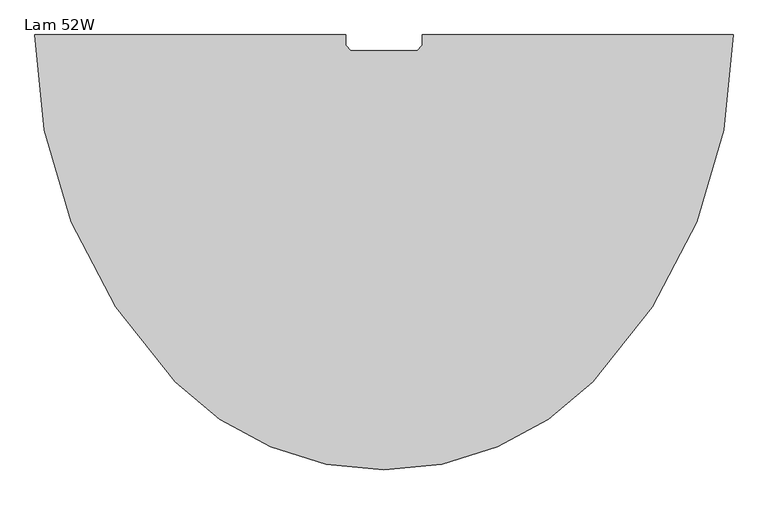
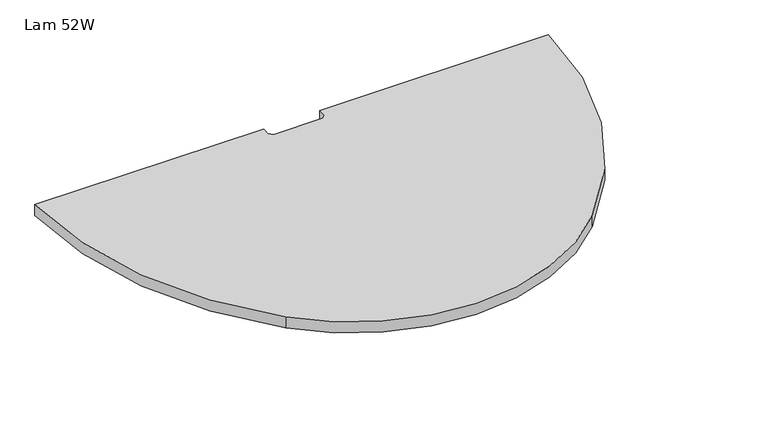
"""IFC4 building model written with IfcOpenShell, lengths in millimetres: furniture geometry, Lam 52W."""

from ifc_helpers import new_model, si_unit, point, frame, frame_2d, origin, place, context, project, spatial, polyline, circle_curve, trimmed, segment, composite_curve, outline, extrude, source, transform, mapped, element, save


def lam_52w_c3389664(model_context):
    return source(origin(), model_context, "Body", "SweptSolid", [
        extrude(outline(composite_curve([segment(polyline([(-71.3739995, 381.0), (-71.3739995, 361.3150026), (-61.8489995, 351.7899992), (61.8489984, 351.7899992), (71.3739995, 361.3150026), (71.3739995, 381.0), (652.526, 381.0)]), True, "CONTINUOUS"), segment(trimmed(circle_curve(frame_2d((-280.7077916, 380.6882479)), 933.2338437), [point((652.526, 381.0))], [point((390.0657842, -268.1478))], False, "CARTESIAN"), True, "CONTINUOUS"), segment(trimmed(circle_curve(frame_2d((4e-06, 111.3121482)), 544.1885383), [point((390.0657842, -268.1478))], [point((-390.0657762, -268.1478))], False, "CARTESIAN"), True, "CONTINUOUS"), segment(trimmed(circle_curve(frame_2d((280.0855611, 380.4366559)), 932.6117152), [point((-390.0657762, -268.1478))], [point((-652.5259839, 381.0))], False, "CARTESIAN"), True, "CONTINUOUS"), segment(polyline([(-652.5259839, 381.0), (-71.3739995, 381.0)]), True, "CONTINUOUS")], self_intersect=False)), frame((0.0, 0.0, 707.009), z_axis=(0.0, 0.0, 1.0), x_axis=(1.0, 0.0, 0.0)), (0.0, 0.0, 1.0), 29.591),
    ])


if __name__ == "__main__":
    model = new_model("IFC4")
    model_context = context("Model", 3, world=origin())
    ifc_project = project(units=[si_unit("LENGTHUNIT", "METRE", prefix="MILLI")], contexts=[model_context])
    site = spatial("IfcSite", under=ifc_project)
    building = spatial("IfcBuilding", under=site)
    placement = place(None, origin())
    lam_52w_shape = lam_52w_c3389664(model_context)
    element("IfcFurniture", 1, ObjectType="Lam 52W", at=placement, inside=building, context=model_context, shape_type="MappedRepresentation", body=[
        mapped(lam_52w_shape, transform((0.0, 0.0, 0.0), x_axis=(1.0, 0.0, 0.0), y_axis=(0.0, 1.0, 0.0), z_axis=(0.0, 0.0, 1.0))),
    ])
    save(model, "model.ifc")
